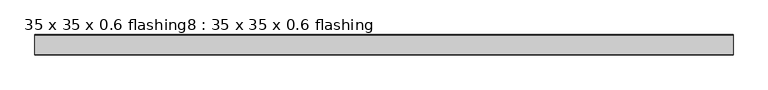
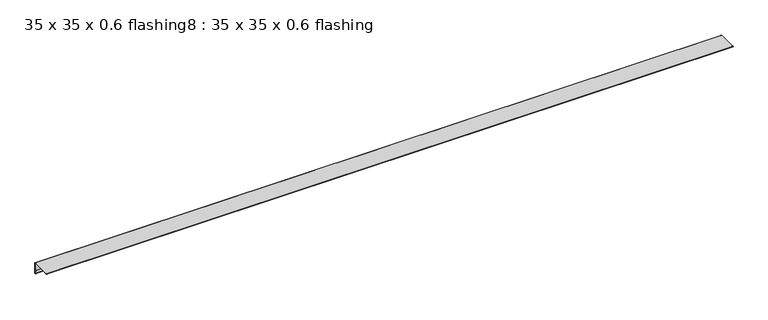
"""IFC4 building model written with IfcOpenShell, lengths in millimetres: proxy geometry, 35 x 35 x 0.6 flashing8 : 35 x 35 x 0.6 flashing."""

from ifc_helpers import new_model, si_unit, point, frame, frame_2d, origin, place, context, project, spatial, polyline, circle_curve, trimmed, segment, composite_curve, outline, extrude, source, transform, mapped, element, save


def proxy_35_x_35_x_0_6_flashing8_35_x_35_x_0_6_flashing_313be4ae(model_context):
    return source(origin(), model_context, "Body", "SweptSolid", [
        extrude(outline(composite_curve([segment(trimmed(circle_curve(frame_2d((-1082.8701898, 1488.3887139)), 1.0), [point((-1081.8701898, 1488.3887139))], [point((-1083.8701898, 1488.3887139))], False, "CARTESIAN"), True, "CONTINUOUS"), segment(polyline([(-1083.8701898, 1488.3887139), (-1083.8701898, 1497.390498), (-1082.8701898, 1497.390498), (-1082.8701898, 1525.8887139)]), True, "CONTINUOUS"), segment(trimmed(circle_curve(frame_2d((-1084.3701898, 1525.8887139)), 1.5), [point((-1082.8701898, 1525.8887139))], [point((-1084.3701898, 1527.3887139))], True, "CARTESIAN"), True, "CONTINUOUS"), segment(polyline([(-1084.3701898, 1527.3887139), (-1141.8701898, 1527.3887139), (-1141.8701898, 1526.3887139), (-1150.9028672, 1526.3887139)]), True, "CONTINUOUS"), segment(trimmed(circle_curve(frame_2d((-1150.9028672, 1527.3887139)), 1.0), [point((-1150.9028672, 1526.3887139))], [point((-1150.9028672, 1528.3887139))], False, "CARTESIAN"), True, "CONTINUOUS"), segment(polyline([(-1150.9028672, 1528.3887139), (-1084.3701898, 1528.3887139)]), True, "CONTINUOUS"), segment(trimmed(circle_curve(frame_2d((-1084.3701898, 1525.8887139)), 2.5), [point((-1084.3701898, 1528.3887139))], [point((-1081.8701898, 1525.8887139))], False, "CARTESIAN"), True, "CONTINUOUS"), segment(polyline([(-1081.8701898, 1525.8887139), (-1081.8701898, 1488.3887139)]), True, "CONTINUOUS")], self_intersect=False)), frame((-7919.6640929, 0.0, 0.0), z_axis=(1.0, 0.0, 0.0), x_axis=(0.0, 1.0, 0.0)), (0.0, 0.0, 1.0), 2410.6438934),
    ])


if __name__ == "__main__":
    model = new_model("IFC4")
    model_context = context("Model", 3, world=origin())
    ifc_project = project(units=[si_unit("LENGTHUNIT", "METRE", prefix="MILLI")], contexts=[model_context])
    site = spatial("IfcSite", under=ifc_project)
    building = spatial("IfcBuilding", under=site)
    placement = place(None, origin())
    proxy_35_x_35_x_0_6_flashing8_35_x_35_x_0_6_flashing_shape = proxy_35_x_35_x_0_6_flashing8_35_x_35_x_0_6_flashing_313be4ae(model_context)
    element("IfcBuildingElementProxy", 1, Name="35 x 35 x 0.6 flashing8 : 35 x 35 x 0.6 flashing", ObjectType="35 x 35 x 0.6 flashing8 : 35 x 35 x 0.6 flashing", at=placement, inside=building, context=model_context, shape_type="MappedRepresentation", body=[
        mapped(proxy_35_x_35_x_0_6_flashing8_35_x_35_x_0_6_flashing_shape, transform((0.0, 0.0, 0.0), x_axis=(1.0, 0.0, 0.0), y_axis=(0.0, 1.0, 0.0), z_axis=(0.0, 0.0, 1.0))),
    ])
    save(model, "model.ifc")
